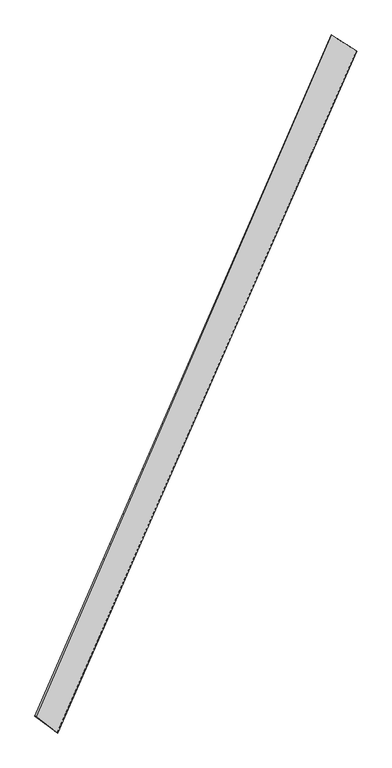
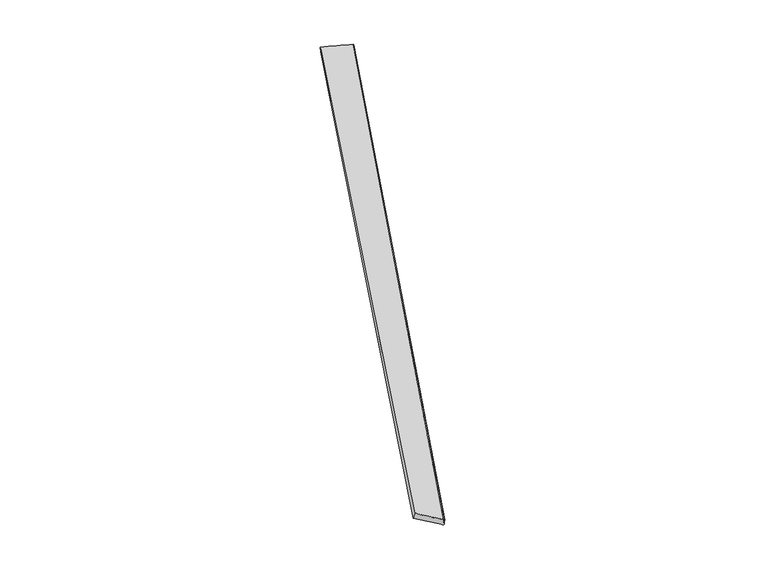
"""IFC4 building model written with IfcOpenShell, lengths in millimetres: proxy geometry."""

from ifc_helpers import new_model, si_unit, origin, place, context, project, spatial, source, transform, mapped, element, save
from ifc_brep_helpers import spline_surface, advanced_brep


def generic_models_bb892352(model_context):
    return source(origin(), model_context, "Body", "AdvancedBrep", [
        advanced_brep(
        [(-708.9973121, -1796.126524, -13.129207), (-711.8041702, -1794.7048261, -42.9637561), (996.474763, 2081.445859, -17.8278362), (991.7229524, 2083.3395631, 11.7328502), (-838.2527225, -1699.3577881, -15.9244252), (851.5638029, 2173.4832139, -41.6086027), (-831.4760712, -1702.1074758, 13.1705265), (848.7504308, 2174.8944367, -11.7741697)],
        [
            (0, 1),
            (1, 2),
            (2, 3),
            (3, 0),
            (1, 4),
            (4, 5),
            (5, 2),
            (4, 6),
            (6, 7),
            (7, 5),
            (6, 0),
            (3, 7),
        ],
        [
            spline_surface(1, 1, [[(-708.9973121, -1796.126524, -13.129207), (991.7229524, 2083.3395631, 11.7328502)], [(-711.8041702, -1794.7048261, -42.9637561), (996.474763, 2081.445859, -17.8278362)]], [2, 2], [2, 2], [0.0, 1.0], [0.0, 1.0]),
            spline_surface(1, 1, [[(-711.8041702, -1794.7048261, -42.9637561), (996.474763, 2081.445859, -17.8278362)], [(-838.2527225, -1699.3577881, -15.9244252), (851.5638029, 2173.4832139, -41.6086027)]], [2, 2], [2, 2], [0.0, 1.0], [0.0, 1.0]),
            spline_surface(1, 1, [[(-838.2527225, -1699.3577881, -15.9244252), (851.5638029, 2173.4832139, -41.6086027)], [(-831.4760712, -1702.1074758, 13.1705265), (848.7504308, 2174.8944367, -11.7741697)]], [2, 2], [2, 2], [0.0, 1.0], [0.0, 1.0]),
            spline_surface(1, 1, [[(-831.4760712, -1702.1074758, 13.1705265), (848.7504308, 2174.8944367, -11.7741697)], [(-708.9973121, -1796.126524, -13.129207), (991.7229524, 2083.3395631, 11.7328502)]], [2, 2], [2, 2], [0.0, 1.0], [0.0, 1.0]),
            spline_surface(1, 1, [[(996.474763, 2081.445859, -17.8278362), (991.7229524, 2083.3395631, 11.7328502)], [(851.5638029, 2173.4832139, -41.6086027), (848.7504308, 2174.8944367, -11.7741697)]], [2, 2], [2, 2], [0.0, 1.0], [0.0, 1.0]),
            spline_surface(1, 1, [[(-831.4760712, -1702.1074758, 13.1705265), (-708.9973121, -1796.126524, -13.129207)], [(-838.2527225, -1699.3577881, -15.9244252), (-711.8041702, -1794.7048261, -42.9637561)]], [2, 2], [2, 2], [0.0, 1.0], [0.0, 1.0]),
        ],
        [
            (0, [[1, 2, 3, 4]]),
            (1, [[5, 6, 7, -2]]),
            (2, [[8, 9, 10, -6]]),
            (3, [[11, -4, 12, -9]]),
            (4, [[-3, -7, -10, -12]]),
            (5, [[-11, -8, -5, -1]]),
        ],
    ),
    ])


if __name__ == "__main__":
    model = new_model("IFC4")
    model_context = context("Model", 3, world=origin())
    ifc_project = project(units=[si_unit("LENGTHUNIT", "METRE", prefix="MILLI")], contexts=[model_context])
    site = spatial("IfcSite", under=ifc_project)
    building = spatial("IfcBuilding", under=site)
    placement = place(None, origin())
    generic_models_shape = generic_models_bb892352(model_context)
    element("IfcBuildingElementProxy", 1, Name="Generic Models", at=placement, inside=building, context=model_context, shape_type="MappedRepresentation", body=[
        mapped(generic_models_shape, transform((0.0, 0.0, 0.0), x_axis=(1.0, 0.0, 0.0), y_axis=(0.0, 1.0, 0.0), z_axis=(0.0, 0.0, 1.0))),
    ])
    save(model, "model.ifc")
